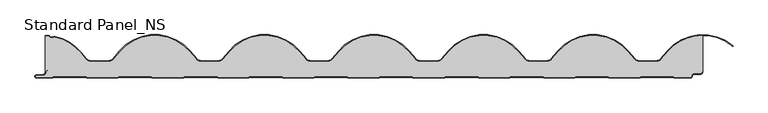
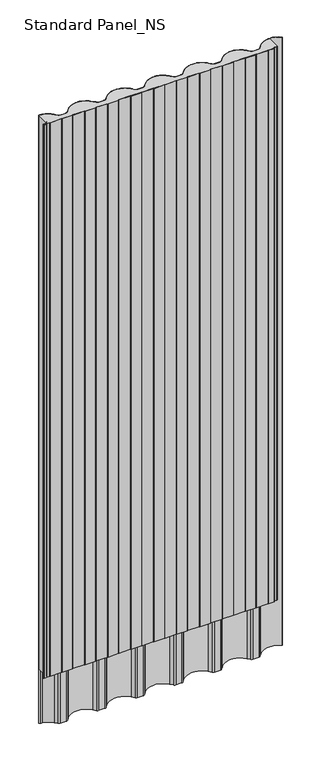
"""IFC4 building model written with IfcOpenShell, lengths in millimetres: proxy geometry, Standard Panel_NS."""

from ifc_helpers import new_model, si_unit, point, frame, frame_2d, origin, origin_with_axes, place, context, project, spatial, polyline, circle_curve, trimmed, segment, composite_curve, outline, extrude, source, transform, mapped, element, save


def standard_panel_ns_9a1841cb(model_context):
    return source(origin(), model_context, "Body", "SweptSolid", [
        extrude(outline(composite_curve([segment(trimmed(circle_curve(frame_2d((-497.5855337, 8.9)), 2.1), [point((-498.6355337, 10.7186533))], [point((-499.6855337, 8.9))], True, "CARTESIAN"), True, "CONTINUOUS"), segment(trimmed(circle_curve(frame_2d((-503.7855337, 8.9)), 4.1), [point((-499.6855337, 8.9))], [point((-499.9999093, 7.325501))], False, "CARTESIAN"), True, "CONTINUOUS"), segment(polyline([(-499.9999093, 7.325501), (-499.9999093, 63.7999892)]), True, "CONTINUOUS"), segment(trimmed(circle_curve(frame_2d((-499.9999093, -5.2757294)), 69.0757185), [point((-499.9999093, 63.7999892))], [point((-494.7841256, 63.6027904))], False, "CARTESIAN"), True, "CONTINUOUS"), segment(trimmed(circle_curve(frame_2d((-494.9162649, 61.8577864)), 1.75), [point((-494.7841256, 63.6027904))], [point((-493.5645482, 62.9692547))], False, "CARTESIAN"), True, "CONTINUOUS"), segment(trimmed(circle_curve(frame_2d((-489.5093978, 66.3036595)), 5.25), [point((-493.5645482, 62.9692547))], [point((-486.5816008, 61.9458499))], True, "CARTESIAN"), True, "CONTINUOUS"), segment(trimmed(circle_curve(frame_2d((-485.6056685, 60.4932467)), 1.75), [point((-486.5816008, 61.9458499))], [point((-485.2315184, 62.2027822))], False, "CARTESIAN"), True, "CONTINUOUS"), segment(trimmed(circle_curve(frame_2d((-499.9999093, -5.2757294)), 69.0757185), [point((-485.2315184, 62.2027822))], [point((-447.0848388, 39.1252865))], False, "CARTESIAN"), True, "CONTINUOUS"), segment(polyline([(-447.0848388, 39.1252865), (-438.3037073, 28.6603414)]), True, "CONTINUOUS"), segment(trimmed(circle_curve(frame_2d((-430.4540566, 35.2469804)), 10.2469912), [point((-438.3037073, 28.6603414))], [point((-430.4540566, 24.9999892))], True, "CARTESIAN"), True, "CONTINUOUS"), segment(polyline([(-430.4540566, 24.9999892), (-403.8880845, 24.9999892)]), True, "CONTINUOUS"), segment(trimmed(circle_curve(frame_2d((-403.8880845, 35.2499892)), 10.25), [point((-403.8880845, 24.9999892))], [point((-396.036129, 28.6614162))], True, "CARTESIAN"), True, "CONTINUOUS"), segment(polyline([(-396.036129, 28.6614162), (-386.2493824, 40.3248066)]), True, "CONTINUOUS"), segment(trimmed(circle_curve(frame_2d((-333.3339093, -4.0765475)), 69.0762444), [point((-386.2493824, 40.3248066))], [point((-280.4184361, 40.3248065))], False, "CARTESIAN"), True, "CONTINUOUS"), segment(polyline([(-280.4184361, 40.3248065), (-270.6316895, 28.6614162)]), True, "CONTINUOUS"), segment(trimmed(circle_curve(frame_2d((-262.779734, 35.2499892)), 10.25), [point((-270.6316895, 28.6614162))], [point((-262.779734, 24.9999892))], True, "CARTESIAN"), True, "CONTINUOUS"), segment(polyline([(-262.779734, 24.9999892), (-237.2220845, 24.9999892)]), True, "CONTINUOUS"), segment(trimmed(circle_curve(frame_2d((-237.2220845, 35.2499892)), 10.25), [point((-237.2220845, 24.9999892))], [point((-229.370129, 28.6614162))], True, "CARTESIAN"), True, "CONTINUOUS"), segment(polyline([(-229.370129, 28.6614162), (-219.5829796, 40.3252866)]), True, "CONTINUOUS"), segment(trimmed(circle_curve(frame_2d((-166.6679093, -4.0757294)), 69.0757185), [point((-219.5829796, 40.3252866))], [point((-113.7528389, 40.3252866))], False, "CARTESIAN"), True, "CONTINUOUS"), segment(polyline([(-113.7528389, 40.3252866), (-103.9656895, 28.6614162)]), True, "CONTINUOUS"), segment(trimmed(circle_curve(frame_2d((-96.113734, 35.2499892)), 10.25), [point((-103.9656895, 28.6614162))], [point((-96.113734, 24.9999892))], True, "CARTESIAN"), True, "CONTINUOUS"), segment(polyline([(-96.113734, 24.9999892), (-70.5560845, 24.9999892)]), True, "CONTINUOUS"), segment(trimmed(circle_curve(frame_2d((-70.5560845, 35.2499892)), 10.25), [point((-70.5560845, 24.9999892))], [point((-62.704129, 28.6614162))], True, "CARTESIAN"), True, "CONTINUOUS"), segment(polyline([(-62.704129, 28.6614162), (-52.9169796, 40.3252866)]), True, "CONTINUOUS"), segment(trimmed(circle_curve(frame_2d((-0.0019093, -4.0757294)), 69.0757185), [point((-52.9169796, 40.3252866))], [point((52.9131397, 40.3253121))], False, "CARTESIAN"), True, "CONTINUOUS"), segment(polyline([(52.9131397, 40.3253121), (62.7006209, 28.6610576)]), True, "CONTINUOUS"), segment(trimmed(circle_curve(frame_2d((70.5518559, 35.2490325)), 10.2490635), [point((62.7006209, 28.6610576))], [point((70.5518559, 24.9999689))], True, "CARTESIAN"), True, "CONTINUOUS"), segment(polyline([(70.5518559, 24.9999689), (96.1099119, 24.9999689)]), True, "CONTINUOUS"), segment(trimmed(circle_curve(frame_2d((96.1099119, 35.2499786)), 10.2500097), [point((96.1099119, 24.9999689))], [point((103.9618807, 28.6614065))], True, "CARTESIAN"), True, "CONTINUOUS"), segment(polyline([(103.9618807, 28.6614065), (113.7489805, 40.325239)]), True, "CONTINUOUS"), segment(trimmed(circle_curve(frame_2d((166.6640907, -4.0757294)), 69.0757185), [point((113.7489805, 40.325239))], [point((219.5791611, 40.3252866))], False, "CARTESIAN"), True, "CONTINUOUS"), segment(polyline([(219.5791611, 40.3252866), (229.3661823, 28.661569)]), True, "CONTINUOUS"), segment(trimmed(circle_curve(frame_2d((237.2144817, 35.2418743)), 10.2418857), [point((229.3661823, 28.661569))], [point((237.2177707, 24.9999892))], True, "CARTESIAN"), True, "CONTINUOUS"), segment(polyline([(237.2177707, 24.9999892), (262.7759155, 24.9999892)]), True, "CONTINUOUS"), segment(trimmed(circle_curve(frame_2d((262.7759155, 35.2499892)), 10.25), [point((262.7759155, 24.9999892))], [point((270.627871, 28.6614162))], True, "CARTESIAN"), True, "CONTINUOUS"), segment(polyline([(270.627871, 28.6614162), (280.4150204, 40.3252866)]), True, "CONTINUOUS"), segment(trimmed(circle_curve(frame_2d((333.3300907, -4.0757294)), 69.0757185), [point((280.4150204, 40.3252866))], [point((386.2451611, 40.3252866))], False, "CARTESIAN"), True, "CONTINUOUS"), segment(polyline([(386.2451611, 40.3252866), (396.0321823, 28.6615689)]), True, "CONTINUOUS"), segment(trimmed(circle_curve(frame_2d((403.8804817, 35.2418743)), 10.2418857), [point((396.0321823, 28.6615689))], [point((403.8837707, 24.9999892))], True, "CARTESIAN"), True, "CONTINUOUS"), segment(polyline([(403.8837707, 24.9999892), (429.4419155, 24.9999892)]), True, "CONTINUOUS"), segment(trimmed(circle_curve(frame_2d((429.4419155, 35.2499892)), 10.25), [point((429.4419155, 24.9999892))], [point((437.293871, 28.6614162))], True, "CARTESIAN"), True, "CONTINUOUS"), segment(polyline([(437.293871, 28.6614162), (447.0810204, 40.3252866)]), True, "CONTINUOUS"), segment(trimmed(circle_curve(frame_2d((499.9960907, -4.0757294)), 69.0757185), [point((447.0810204, 40.3252866))], [point((500.0000907, 64.999989))], False, "CARTESIAN"), True, "CONTINUOUS"), segment(polyline([(500.0000907, 64.999989), (500.0000907, 8.9), (499.0000907, 8.9)]), True, "CONTINUOUS"), segment(trimmed(circle_curve(frame_2d((496.5000907, 8.9)), 2.5), [point((499.0000907, 8.9))], [point((496.5000907, 6.4))], False, "CARTESIAN"), True, "CONTINUOUS"), segment(polyline([(496.5000907, 6.4), (486.2144663, 6.4)]), True, "CONTINUOUS"), segment(trimmed(circle_curve(frame_2d((486.2144663, 3.3)), 3.1), [point((486.2144663, 6.4))], [point((483.1144663, 3.3))], True, "CARTESIAN"), True, "CONTINUOUS"), segment(polyline([(483.1144663, 3.3), (483.1144663, 1.9)]), True, "CONTINUOUS"), segment(trimmed(circle_curve(frame_2d((482.2144663, 1.9)), 0.9), [point((483.1144663, 1.9))], [point((482.2144663, 1.0))], False, "CARTESIAN"), True, "CONTINUOUS"), segment(polyline([(482.2144663, 1.0), (457.0199099, 1.0), (455.2878591, 2.0), (405.8682438, 2.0), (404.136193, 1.0), (358.0199099, 1.0), (356.2878591, 2.0), (306.8682438, 2.0), (305.136193, 1.0), (258.8757607, 1.0), (257.1437099, 2.0), (207.7240947, 2.0), (205.9920439, 1.0), (159.8757607, 1.0), (158.1437099, 2.0), (108.7240947, 2.0), (106.9920439, 1.0), (59.9748586, 1.0), (58.2428078, 2.0), (8.8231926, 2.0), (7.0911418, 1.0), (-39.0251414, 1.0), (-40.7571922, 2.0), (-90.1768074, 2.0), (-91.9088582, 1.0), (-138.1692905, 1.0), (-139.9013414, 2.0), (-189.3209566, 2.0), (-191.0530074, 1.0), (-237.1692905, 1.0), (-238.9013414, 2.0), (-288.3209566, 2.0), (-290.0530074, 1.0), (-337.0701926, 1.0), (-338.8022434, 2.0), (-388.2218587, 2.0), (-389.9539095, 1.0), (-436.0701926, 1.0), (-437.8022434, 2.0), (-487.2218587, 2.0), (-488.9539095, 1.0), (-513.2855337, 1.0)]), True, "CONTINUOUS"), segment(trimmed(circle_curve(frame_2d((-513.2855337, 2.4)), 1.4), [point((-513.2855337, 1.0))], [point((-513.2855337, 3.8))], False, "CARTESIAN"), True, "CONTINUOUS"), segment(polyline([(-513.2855337, 3.8), (-503.7855337, 3.8)]), True, "CONTINUOUS"), segment(trimmed(circle_curve(frame_2d((-503.7855337, 8.9)), 5.1), [point((-503.7855337, 3.8))], [point((-498.6855337, 8.9))], True, "CARTESIAN"), True, "CONTINUOUS"), segment(trimmed(circle_curve(frame_2d((-497.5855337, 8.9)), 1.1), [point((-498.6855337, 8.9))], [point((-498.1355337, 9.8526279))], False, "CARTESIAN"), True, "CONTINUOUS"), segment(polyline([(-498.1355337, 9.8526279), (-495.9050487, 11.1403991), (-496.4050487, 12.0064245), (-498.6355337, 10.7186533)]), True, "CONTINUOUS")], self_intersect=False)), origin_with_axes(), (0.0, 0.0, 1.0), 2527.968552),
        extrude(outline(composite_curve([segment(polyline([(-498.6355337, 10.7186533), (-496.4050487, 12.0064245), (-495.9050487, 11.1403991), (-498.1355337, 9.8526279)]), True, "CONTINUOUS"), segment(trimmed(circle_curve(frame_2d((-497.5855337, 8.9)), 1.1), [point((-498.1355337, 9.8526279))], [point((-498.6855337, 8.9))], True, "CARTESIAN"), True, "CONTINUOUS"), segment(trimmed(circle_curve(frame_2d((-503.7855337, 8.9)), 5.1), [point((-498.6855337, 8.9))], [point((-503.7855337, 3.8))], False, "CARTESIAN"), True, "CONTINUOUS"), segment(polyline([(-503.7855337, 3.8), (-513.2855337, 3.8)]), True, "CONTINUOUS"), segment(trimmed(circle_curve(frame_2d((-513.2855337, 2.4)), 1.4), [point((-513.2855337, 3.8))], [point((-513.2855337, 1.0))], True, "CARTESIAN"), True, "CONTINUOUS"), segment(polyline([(-513.2855337, 1.0), (-488.9539095, 1.0), (-487.2218587, 2.0), (-437.8022434, 2.0), (-436.0701926, 1.0), (-389.9539095, 1.0), (-388.2218587, 2.0), (-338.8022434, 2.0), (-337.0701926, 1.0), (-290.0530074, 1.0), (-288.3209566, 2.0), (-238.9013414, 2.0), (-237.1692905, 1.0), (-191.0530074, 1.0), (-189.3209566, 2.0), (-139.9013414, 2.0), (-138.1692905, 1.0), (-91.9088582, 1.0), (-90.1768074, 2.0), (-40.7571922, 2.0), (-39.0251414, 1.0), (7.0911418, 1.0), (8.8231926, 2.0), (58.2428078, 2.0), (59.9748586, 1.0), (106.9920439, 1.0), (108.7240947, 2.0), (158.1437099, 2.0), (159.8757607, 1.0), (205.9920439, 1.0), (207.7240947, 2.0), (257.1437099, 2.0), (258.8757607, 1.0), (305.136193, 1.0), (306.8682438, 2.0), (356.2878591, 2.0), (358.0199099, 1.0), (404.136193, 1.0), (405.8682438, 2.0), (455.2878591, 2.0), (457.0199099, 1.0), (482.2144663, 1.0)]), True, "CONTINUOUS"), segment(trimmed(circle_curve(frame_2d((482.2144663, 1.9)), 0.9), [point((482.2144663, 1.0))], [point((483.1144663, 1.9))], True, "CARTESIAN"), True, "CONTINUOUS"), segment(polyline([(483.1144663, 1.9), (483.1144663, 3.3)]), True, "CONTINUOUS"), segment(trimmed(circle_curve(frame_2d((486.2144663, 3.3)), 3.1), [point((483.1144663, 3.3))], [point((486.2144663, 6.4))], False, "CARTESIAN"), True, "CONTINUOUS"), segment(polyline([(486.2144663, 6.4), (496.5000907, 6.4)]), True, "CONTINUOUS"), segment(trimmed(circle_curve(frame_2d((496.5000907, 8.9)), 2.5), [point((496.5000907, 6.4))], [point((499.0000907, 8.9))], True, "CARTESIAN"), True, "CONTINUOUS"), segment(polyline([(499.0000907, 8.9), (500.0000907, 8.9)]), True, "CONTINUOUS"), segment(trimmed(circle_curve(frame_2d((496.5000907, 8.9)), 3.5), [point((500.0000907, 8.9))], [point((496.5000907, 5.4))], False, "CARTESIAN"), True, "CONTINUOUS"), segment(polyline([(496.5000907, 5.4), (486.2144663, 5.4)]), True, "CONTINUOUS"), segment(trimmed(circle_curve(frame_2d((486.2144663, 3.3)), 2.1), [point((486.2144663, 5.4))], [point((484.1144663, 3.3))], True, "CARTESIAN"), True, "CONTINUOUS"), segment(polyline([(484.1144663, 3.3), (484.1144663, 1.9)]), True, "CONTINUOUS"), segment(trimmed(circle_curve(frame_2d((482.2144663, 1.9)), 1.9), [point((484.1144663, 1.9))], [point((482.2144663, 0.0))], False, "CARTESIAN"), True, "CONTINUOUS"), segment(polyline([(482.2144663, 0.0), (457.1940769, 0.0)]), True, "CONTINUOUS"), segment(trimmed(circle_curve(frame_2d((457.1940769, 1.65)), 1.65), [point((457.1940769, 0.0))], [point((456.3690769, 0.2210581))], False, "CARTESIAN"), True, "CONTINUOUS"), segment(polyline([(456.3690769, 0.2210581), (455.0199099, 1.0), (406.136193, 1.0), (404.7870261, 0.2210581)]), True, "CONTINUOUS"), segment(trimmed(circle_curve(frame_2d((403.9620261, 1.65)), 1.65), [point((404.7870261, 0.2210581))], [point((403.9620261, 0.0))], False, "CARTESIAN"), True, "CONTINUOUS"), segment(polyline([(403.9620261, 0.0), (358.0426765, 0.0)]), True, "CONTINUOUS"), segment(trimmed(circle_curve(frame_2d((358.0426765, 1.2339188)), 1.2339188), [point((358.0426765, 0.0))], [point((357.2442866, 0.2931058))], False, "CARTESIAN"), True, "CONTINUOUS"), segment(polyline([(357.2442866, 0.2931058), (356.0199099, 1.0), (307.136193, 1.0), (305.7870261, 0.2210581)]), True, "CONTINUOUS"), segment(trimmed(circle_curve(frame_2d((304.9620261, 1.65)), 1.65), [point((305.7870261, 0.2210581))], [point((304.9620261, 0.0))], False, "CARTESIAN"), True, "CONTINUOUS"), segment(polyline([(304.9620261, 0.0), (259.0499277, 0.0)]), True, "CONTINUOUS"), segment(trimmed(circle_curve(frame_2d((259.0499277, 1.65)), 1.65), [point((259.0499277, 0.0))], [point((258.2249277, 0.2210581))], False, "CARTESIAN"), True, "CONTINUOUS"), segment(polyline([(258.2249277, 0.2210581), (256.8757607, 1.0), (207.9920439, 1.0), (206.7722973, 0.295779)]), True, "CONTINUOUS"), segment(trimmed(circle_curve(frame_2d((205.9692773, 1.2379622)), 1.2379622), [point((206.7722973, 0.295779))], [point((205.9692773, 0.0))], False, "CARTESIAN"), True, "CONTINUOUS"), segment(polyline([(205.9692773, 0.0), (160.0499277, 0.0)]), True, "CONTINUOUS"), segment(trimmed(circle_curve(frame_2d((160.0499277, 1.65)), 1.65), [point((160.0499277, 0.0))], [point((159.2249277, 0.2210581))], False, "CARTESIAN"), True, "CONTINUOUS"), segment(polyline([(159.2249277, 0.2210581), (157.8757607, 1.0), (108.9920439, 1.0), (107.6428769, 0.2210581)]), True, "CONTINUOUS"), segment(trimmed(circle_curve(frame_2d((106.8178769, 1.65)), 1.65), [point((107.6428769, 0.2210581))], [point((106.8178769, 0.0))], False, "CARTESIAN"), True, "CONTINUOUS"), segment(polyline([(106.8178769, 0.0), (60.1490256, 0.0)]), True, "CONTINUOUS"), segment(trimmed(circle_curve(frame_2d((60.1490256, 1.65)), 1.65), [point((60.1490256, 0.0))], [point((59.3240256, 0.2210581))], False, "CARTESIAN"), True, "CONTINUOUS"), segment(polyline([(59.3240256, 0.2210581), (57.9748586, 1.0), (9.0911418, 1.0), (7.7419748, 0.2210581)]), True, "CONTINUOUS"), segment(trimmed(circle_curve(frame_2d((6.9169748, 1.65)), 1.65), [point((7.7419748, 0.2210581))], [point((6.9169748, 0.0))], False, "CARTESIAN"), True, "CONTINUOUS"), segment(polyline([(6.9169748, 0.0), (-39.0023748, 0.0)]), True, "CONTINUOUS"), segment(trimmed(circle_curve(frame_2d((-39.0023748, 1.1918713)), 1.1918713), [point((-39.0023748, 0.0))], [point((-39.7506864, 0.2641931))], False, "CARTESIAN"), True, "CONTINUOUS"), segment(polyline([(-39.7506864, 0.2641931), (-41.0251414, 1.0), (-89.9088582, 1.0), (-91.2580252, 0.2210581)]), True, "CONTINUOUS"), segment(trimmed(circle_curve(frame_2d((-92.0830252, 1.65)), 1.65), [point((-91.2580252, 0.2210581))], [point((-92.0830252, 0.0))], False, "CARTESIAN"), True, "CONTINUOUS"), segment(polyline([(-92.0830252, 0.0), (-137.9951236, 0.0)]), True, "CONTINUOUS"), segment(trimmed(circle_curve(frame_2d((-137.9951236, 1.65)), 1.65), [point((-137.9951236, 0.0))], [point((-138.8201236, 0.2210581))], False, "CARTESIAN"), True, "CONTINUOUS"), segment(polyline([(-138.8201236, 0.2210581), (-140.1692905, 1.0), (-189.0530074, 1.0), (-190.3029816, 0.278327)]), True, "CONTINUOUS"), segment(trimmed(circle_curve(frame_2d((-191.075774, 1.2120166)), 1.2120166), [point((-190.3029816, 0.278327))], [point((-191.075774, 0.0))], False, "CARTESIAN"), True, "CONTINUOUS"), segment(polyline([(-191.075774, 0.0), (-236.9951236, 0.0)]), True, "CONTINUOUS"), segment(trimmed(circle_curve(frame_2d((-236.9951236, 1.65)), 1.65), [point((-236.9951236, 0.0))], [point((-237.8201236, 0.2210581))], False, "CARTESIAN"), True, "CONTINUOUS"), segment(polyline([(-237.8201236, 0.2210581), (-239.1692905, 1.0), (-288.0530074, 1.0), (-289.4021744, 0.2210581)]), True, "CONTINUOUS"), segment(trimmed(circle_curve(frame_2d((-290.2271744, 1.65)), 1.65), [point((-289.4021744, 0.2210581))], [point((-290.2271744, 0.0))], False, "CARTESIAN"), True, "CONTINUOUS"), segment(polyline([(-290.2271744, 0.0), (-336.8960257, 0.0)]), True, "CONTINUOUS"), segment(trimmed(circle_curve(frame_2d((-336.8960257, 1.65)), 1.65), [point((-336.8960257, 0.0))], [point((-337.7210257, 0.2210581))], False, "CARTESIAN"), True, "CONTINUOUS"), segment(polyline([(-337.7210257, 0.2210581), (-339.0701926, 1.0), (-387.9539095, 1.0), (-389.3030765, 0.2210581)]), True, "CONTINUOUS"), segment(trimmed(circle_curve(frame_2d((-390.1280765, 1.65)), 1.65), [point((-389.3030765, 0.2210581))], [point((-390.1280765, 0.0))], False, "CARTESIAN"), True, "CONTINUOUS"), segment(polyline([(-390.1280765, 0.0), (-436.047426, 0.0)]), True, "CONTINUOUS"), segment(trimmed(circle_curve(frame_2d((-436.047426, 1.2942873)), 1.2942873), [point((-436.047426, 0.0))], [point((-436.9126149, 0.3316722))], False, "CARTESIAN"), True, "CONTINUOUS"), segment(polyline([(-436.9126149, 0.3316722), (-438.0701926, 1.0), (-486.9539095, 1.0), (-488.3030765, 0.2210581)]), True, "CONTINUOUS"), segment(trimmed(circle_curve(frame_2d((-489.1280765, 1.65)), 1.65), [point((-488.3030765, 0.2210581))], [point((-489.1280765, 0.0))], False, "CARTESIAN"), True, "CONTINUOUS"), segment(polyline([(-489.1280765, 0.0), (-513.2855337, 0.0)]), True, "CONTINUOUS"), segment(trimmed(circle_curve(frame_2d((-513.2855337, 2.4)), 2.4), [point((-513.2855337, 0.0))], [point((-513.2855337, 4.8))], False, "CARTESIAN"), True, "CONTINUOUS"), segment(polyline([(-513.2855337, 4.8), (-503.7855337, 4.8)]), True, "CONTINUOUS"), segment(trimmed(circle_curve(frame_2d((-503.7855337, 8.9)), 4.1), [point((-503.7855337, 4.8))], [point((-499.6855337, 8.9))], True, "CARTESIAN"), True, "CONTINUOUS"), segment(trimmed(circle_curve(frame_2d((-497.5855337, 8.9)), 2.1), [point((-499.6855337, 8.9))], [point((-498.6355337, 10.7186533))], False, "CARTESIAN"), True, "CONTINUOUS")], self_intersect=False)), origin_with_axes(), (0.0, 0.0, 1.0), 2527.968552),
        extrude(outline(composite_curve([segment(trimmed(circle_curve(frame_2d((-494.916265, 61.8583971)), 2.75), [point((-494.7086174, 64.6005464))], [point((-492.7921386, 63.6049901))], False, "CARTESIAN"), True, "CONTINUOUS"), segment(trimmed(circle_curve(frame_2d((-489.5093978, 66.3042702)), 4.25), [point((-492.7921386, 63.6049901))], [point((-487.1392764, 62.7765196))], True, "CARTESIAN"), True, "CONTINUOUS"), segment(trimmed(circle_curve(frame_2d((-485.6056685, 60.4938574)), 2.75), [point((-487.1392764, 62.7765196))], [point((-485.0177184, 63.1802704))], False, "CARTESIAN"), True, "CONTINUOUS"), segment(trimmed(circle_curve(frame_2d((-499.9999093, -5.2751186)), 70.0757185), [point((-485.0177184, 63.1802704))], [point((-446.3187943, 39.7686848))], False, "CARTESIAN"), True, "CONTINUOUS"), segment(polyline([(-446.3187943, 39.7686848), (-437.5376629, 29.3037398)]), True, "CONTINUOUS"), segment(trimmed(circle_curve(frame_2d((-430.4540566, 35.2475911)), 9.2469912), [point((-437.5376629, 29.3037398))], [point((-430.4540566, 26.0005999))], True, "CARTESIAN"), True, "CONTINUOUS"), segment(polyline([(-430.4540566, 26.0005999), (-403.8880845, 26.0005999)]), True, "CONTINUOUS"), segment(trimmed(circle_curve(frame_2d((-403.8880845, 35.2505999)), 9.25), [point((-403.8880845, 26.0005999))], [point((-396.8021734, 29.3048145))], True, "CARTESIAN"), True, "CONTINUOUS"), segment(polyline([(-396.8021734, 29.3048145), (-387.0154269, 40.9682049)]), True, "CONTINUOUS"), segment(trimmed(circle_curve(frame_2d((-333.3339093, -4.0759367)), 70.0762444), [point((-387.0154269, 40.9682049))], [point((-279.6523916, 40.9682049))], False, "CARTESIAN"), True, "CONTINUOUS"), segment(polyline([(-279.6523916, 40.9682049), (-269.8656451, 29.3048145)]), True, "CONTINUOUS"), segment(trimmed(circle_curve(frame_2d((-262.779734, 35.2505999)), 9.25), [point((-269.8656451, 29.3048145))], [point((-262.779734, 26.0005999))], True, "CARTESIAN"), True, "CONTINUOUS"), segment(polyline([(-262.779734, 26.0005999), (-237.2220845, 26.0005999)]), True, "CONTINUOUS"), segment(trimmed(circle_curve(frame_2d((-237.2220845, 35.2505999)), 9.25), [point((-237.2220845, 26.0005999))], [point((-230.1361734, 29.3048145))], True, "CARTESIAN"), True, "CONTINUOUS"), segment(polyline([(-230.1361734, 29.3048145), (-220.349024, 40.968685)]), True, "CONTINUOUS"), segment(trimmed(circle_curve(frame_2d((-166.6679093, -4.0751186)), 70.0757185), [point((-220.349024, 40.968685))], [point((-112.9867945, 40.968685))], False, "CARTESIAN"), True, "CONTINUOUS"), segment(polyline([(-112.9867945, 40.968685), (-103.1996451, 29.3048145)]), True, "CONTINUOUS"), segment(trimmed(circle_curve(frame_2d((-96.113734, 35.2505999)), 9.25), [point((-103.1996451, 29.3048145))], [point((-96.113734, 26.0005999))], True, "CARTESIAN"), True, "CONTINUOUS"), segment(polyline([(-96.113734, 26.0005999), (-70.5560845, 26.0005999)]), True, "CONTINUOUS"), segment(trimmed(circle_curve(frame_2d((-70.5560845, 35.2505999)), 9.25), [point((-70.5560845, 26.0005999))], [point((-63.4701734, 29.3048145))], True, "CARTESIAN"), True, "CONTINUOUS"), segment(polyline([(-63.4701734, 29.3048145), (-53.683024, 40.968685)]), True, "CONTINUOUS"), segment(trimmed(circle_curve(frame_2d((-0.0019093, -4.0751186)), 70.0757185), [point((-53.683024, 40.968685))], [point((53.6791838, 40.9687109))], False, "CARTESIAN"), True, "CONTINUOUS"), segment(polyline([(53.6791838, 40.9687109), (63.466665, 29.3044564)]), True, "CONTINUOUS"), segment(trimmed(circle_curve(frame_2d((70.5518559, 35.2496432)), 9.2490635), [point((63.466665, 29.3044564))], [point((70.5518559, 26.0005797))], True, "CARTESIAN"), True, "CONTINUOUS"), segment(polyline([(70.5518559, 26.0005797), (96.1099119, 26.0005797)]), True, "CONTINUOUS"), segment(trimmed(circle_curve(frame_2d((96.1099119, 35.2505893)), 9.2500097), [point((96.1099119, 26.0005797))], [point((103.1958357, 29.3048041))], True, "CARTESIAN"), True, "CONTINUOUS"), segment(polyline([(103.1958357, 29.3048041), (112.9829354, 40.9686367)]), True, "CONTINUOUS"), segment(trimmed(circle_curve(frame_2d((166.6640907, -4.0751186)), 70.0757185), [point((112.9829354, 40.9686367))], [point((220.3452055, 40.968685))], False, "CARTESIAN"), True, "CONTINUOUS"), segment(polyline([(220.3452055, 40.968685), (230.1323549, 29.3048145)]), True, "CONTINUOUS"), segment(trimmed(circle_curve(frame_2d((237.2144817, 35.2424851)), 9.2418857), [point((230.1323549, 29.3048145))], [point((237.217606, 26.0005999))], True, "CARTESIAN"), True, "CONTINUOUS"), segment(polyline([(237.217606, 26.0005999), (262.7759154, 26.0005999)]), True, "CONTINUOUS"), segment(trimmed(circle_curve(frame_2d((262.7759154, 35.2505999)), 9.25), [point((262.7759154, 26.0005999))], [point((269.8618265, 29.3048145))], True, "CARTESIAN"), True, "CONTINUOUS"), segment(polyline([(269.8618265, 29.3048145), (279.648976, 40.968685)]), True, "CONTINUOUS"), segment(trimmed(circle_curve(frame_2d((333.3300907, -4.0751186)), 70.0757185), [point((279.648976, 40.968685))], [point((387.0112055, 40.968685))], False, "CARTESIAN"), True, "CONTINUOUS"), segment(polyline([(387.0112055, 40.968685), (396.7983549, 29.3048145)]), True, "CONTINUOUS"), segment(trimmed(circle_curve(frame_2d((403.8804817, 35.2424851)), 9.2418857), [point((396.7983549, 29.3048145))], [point((403.883606, 26.0005999))], True, "CARTESIAN"), True, "CONTINUOUS"), segment(polyline([(403.883606, 26.0005999), (429.4419154, 26.0005999)]), True, "CONTINUOUS"), segment(trimmed(circle_curve(frame_2d((429.4419154, 35.2505999)), 9.25), [point((429.4419154, 26.0005999))], [point((436.5278265, 29.3048145))], True, "CARTESIAN"), True, "CONTINUOUS"), segment(polyline([(436.5278265, 29.3048145), (446.314976, 40.968685)]), True, "CONTINUOUS"), segment(trimmed(circle_curve(frame_2d((499.9960907, -4.0751186)), 70.0757185), [point((446.314976, 40.968685))], [point((546.3461746, 48.4822411))], False, "CARTESIAN"), True, "CONTINUOUS"), segment(polyline([(546.3461746, 48.4822411), (545.6376564, 47.7737229)]), True, "CONTINUOUS"), segment(trimmed(circle_curve(frame_2d((499.9960907, -4.0751186)), 69.0757185), [point((545.6376564, 47.7737229))], [point((447.0810204, 40.3258974))], True, "CARTESIAN"), True, "CONTINUOUS"), segment(polyline([(447.0810204, 40.3258974), (437.293871, 28.6620269)]), True, "CONTINUOUS"), segment(trimmed(circle_curve(frame_2d((429.4419154, 35.2505999)), 10.25), [point((437.293871, 28.6620269))], [point((429.4419154, 25.0005999))], False, "CARTESIAN"), True, "CONTINUOUS"), segment(polyline([(429.4419154, 25.0005999), (403.8837707, 25.0005999)]), True, "CONTINUOUS"), segment(trimmed(circle_curve(frame_2d((403.8804817, 35.2424851)), 10.2418857), [point((403.8837707, 25.0005999))], [point((396.0321823, 28.6621797))], False, "CARTESIAN"), True, "CONTINUOUS"), segment(polyline([(396.0321823, 28.6621797), (386.2451611, 40.3258974)]), True, "CONTINUOUS"), segment(trimmed(circle_curve(frame_2d((333.3300907, -4.0751186)), 69.0757185), [point((386.2451611, 40.3258974))], [point((280.4150204, 40.3258974))], True, "CARTESIAN"), True, "CONTINUOUS"), segment(polyline([(280.4150204, 40.3258974), (270.627871, 28.6620269)]), True, "CONTINUOUS"), segment(trimmed(circle_curve(frame_2d((262.7759154, 35.2505999)), 10.25), [point((270.627871, 28.6620269))], [point((262.7759154, 25.0005999))], False, "CARTESIAN"), True, "CONTINUOUS"), segment(polyline([(262.7759154, 25.0005999), (237.2177707, 25.0005999)]), True, "CONTINUOUS"), segment(trimmed(circle_curve(frame_2d((237.2144817, 35.2424851)), 10.2418857), [point((237.2177707, 25.0005999))], [point((229.3661823, 28.6621797))], False, "CARTESIAN"), True, "CONTINUOUS"), segment(polyline([(229.3661823, 28.6621797), (219.5791611, 40.3258974)]), True, "CONTINUOUS"), segment(trimmed(circle_curve(frame_2d((166.6640907, -4.0751186)), 69.0757185), [point((219.5791611, 40.3258974))], [point((113.7489805, 40.3258498))], True, "CARTESIAN"), True, "CONTINUOUS"), segment(polyline([(113.7489805, 40.3258498), (103.9618807, 28.6620172)]), True, "CONTINUOUS"), segment(trimmed(circle_curve(frame_2d((96.1099119, 35.2505893)), 10.2500097), [point((103.9618807, 28.6620172))], [point((96.1099119, 25.0005797))], False, "CARTESIAN"), True, "CONTINUOUS"), segment(polyline([(96.1099119, 25.0005797), (70.5518559, 25.0005797)]), True, "CONTINUOUS"), segment(trimmed(circle_curve(frame_2d((70.5518559, 35.2496432)), 10.2490635), [point((70.5518559, 25.0005797))], [point((62.7006209, 28.6616684))], False, "CARTESIAN"), True, "CONTINUOUS"), segment(polyline([(62.7006209, 28.6616684), (52.9131397, 40.3259229)]), True, "CONTINUOUS"), segment(trimmed(circle_curve(frame_2d((-0.0019093, -4.0751186)), 69.0757185), [point((52.9131397, 40.3259229))], [point((-52.9169796, 40.3258974))], True, "CARTESIAN"), True, "CONTINUOUS"), segment(polyline([(-52.9169796, 40.3258974), (-62.704129, 28.6620269)]), True, "CONTINUOUS"), segment(trimmed(circle_curve(frame_2d((-70.5560845, 35.2505999)), 10.25), [point((-62.704129, 28.6620269))], [point((-70.5560845, 25.0005999))], False, "CARTESIAN"), True, "CONTINUOUS"), segment(polyline([(-70.5560845, 25.0005999), (-96.113734, 25.0005999)]), True, "CONTINUOUS"), segment(trimmed(circle_curve(frame_2d((-96.113734, 35.2505999)), 10.25), [point((-96.113734, 25.0005999))], [point((-103.9656895, 28.6620269))], False, "CARTESIAN"), True, "CONTINUOUS"), segment(polyline([(-103.9656895, 28.6620269), (-113.7528389, 40.3258974)]), True, "CONTINUOUS"), segment(trimmed(circle_curve(frame_2d((-166.6679093, -4.0751186)), 69.0757185), [point((-113.7528389, 40.3258974))], [point((-219.5829796, 40.3258974))], True, "CARTESIAN"), True, "CONTINUOUS"), segment(polyline([(-219.5829796, 40.3258974), (-229.370129, 28.6620269)]), True, "CONTINUOUS"), segment(trimmed(circle_curve(frame_2d((-237.2220845, 35.2505999)), 10.25), [point((-229.370129, 28.6620269))], [point((-237.2220845, 25.0005999))], False, "CARTESIAN"), True, "CONTINUOUS"), segment(polyline([(-237.2220845, 25.0005999), (-262.779734, 25.0005999)]), True, "CONTINUOUS"), segment(trimmed(circle_curve(frame_2d((-262.779734, 35.2505999)), 10.25), [point((-262.779734, 25.0005999))], [point((-270.6316895, 28.6620269))], False, "CARTESIAN"), True, "CONTINUOUS"), segment(polyline([(-270.6316895, 28.6620269), (-280.4184361, 40.3254173)]), True, "CONTINUOUS"), segment(trimmed(circle_curve(frame_2d((-333.3339093, -4.0759367)), 69.0762444), [point((-280.4184361, 40.3254173))], [point((-386.2493824, 40.3254173))], True, "CARTESIAN"), True, "CONTINUOUS"), segment(polyline([(-386.2493824, 40.3254173), (-396.036129, 28.6620269)]), True, "CONTINUOUS"), segment(trimmed(circle_curve(frame_2d((-403.8880845, 35.2505999)), 10.25), [point((-396.036129, 28.6620269))], [point((-403.8880845, 25.0005999))], False, "CARTESIAN"), True, "CONTINUOUS"), segment(polyline([(-403.8880845, 25.0005999), (-430.4540566, 25.0005999)]), True, "CONTINUOUS"), segment(trimmed(circle_curve(frame_2d((-430.4540566, 35.2475911)), 10.2469912), [point((-430.4540566, 25.0005999))], [point((-438.3037073, 28.6609522))], False, "CARTESIAN"), True, "CONTINUOUS"), segment(polyline([(-438.3037073, 28.6609522), (-447.0848388, 39.1258972)]), True, "CONTINUOUS"), segment(trimmed(circle_curve(frame_2d((-499.9999093, -5.2751186)), 69.0757185), [point((-447.0848388, 39.1258972))], [point((-485.2315184, 62.2033929))], True, "CARTESIAN"), True, "CONTINUOUS"), segment(trimmed(circle_curve(frame_2d((-485.6056685, 60.4938574)), 1.75), [point((-485.2315184, 62.2033929))], [point((-486.5816008, 61.9464606))], True, "CARTESIAN"), True, "CONTINUOUS"), segment(trimmed(circle_curve(frame_2d((-489.5093978, 66.3042702)), 5.25), [point((-486.5816008, 61.9464606))], [point((-493.5645482, 62.9698654))], False, "CARTESIAN"), True, "CONTINUOUS"), segment(trimmed(circle_curve(frame_2d((-494.916265, 61.8583971)), 1.75), [point((-493.5645482, 62.9698654))], [point((-494.7841256, 63.6034012))], True, "CARTESIAN"), True, "CONTINUOUS"), segment(trimmed(circle_curve(frame_2d((-499.9999093, -5.2751186)), 69.0757185), [point((-494.7841256, 63.6034012))], [point((-499.9999093, 63.8005999))], True, "CARTESIAN"), True, "CONTINUOUS"), segment(polyline([(-499.9999093, 63.8005999), (-499.9999093, 64.8005999)]), True, "CONTINUOUS"), segment(trimmed(circle_curve(frame_2d((-499.9999093, -5.2751186)), 70.0757185), [point((-499.9999093, 64.8005999))], [point((-494.7086174, 64.6005464))], False, "CARTESIAN"), True, "CONTINUOUS")], self_intersect=False)), frame((0.0, 0.0, -250.0), z_axis=(0.0, 0.0, 1.0), x_axis=(1.0, 0.0, 0.0)), (0.0, 0.0, 1.0), 2777.968552),
    ])


if __name__ == "__main__":
    model = new_model("IFC4")
    model_context = context("Model", 3, world=origin())
    ifc_project = project(units=[si_unit("LENGTHUNIT", "METRE", prefix="MILLI")], contexts=[model_context])
    site = spatial("IfcSite", under=ifc_project)
    building = spatial("IfcBuilding", under=site)
    placement = place(None, origin())
    standard_panel_ns_shape = standard_panel_ns_9a1841cb(model_context)
    element("IfcBuildingElementProxy", 1, Name="Standard Panel_NS", ObjectType="Standard Panel_NS", at=placement, inside=building, context=model_context, shape_type="MappedRepresentation", body=[
        mapped(standard_panel_ns_shape, transform((0.0, 0.0, 0.0), x_axis=(1.0, 0.0, 0.0), y_axis=(0.0, 1.0, 0.0), z_axis=(0.0, 0.0, 1.0))),
    ])
    save(model, "model.ifc")
